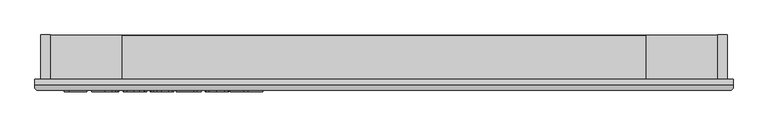
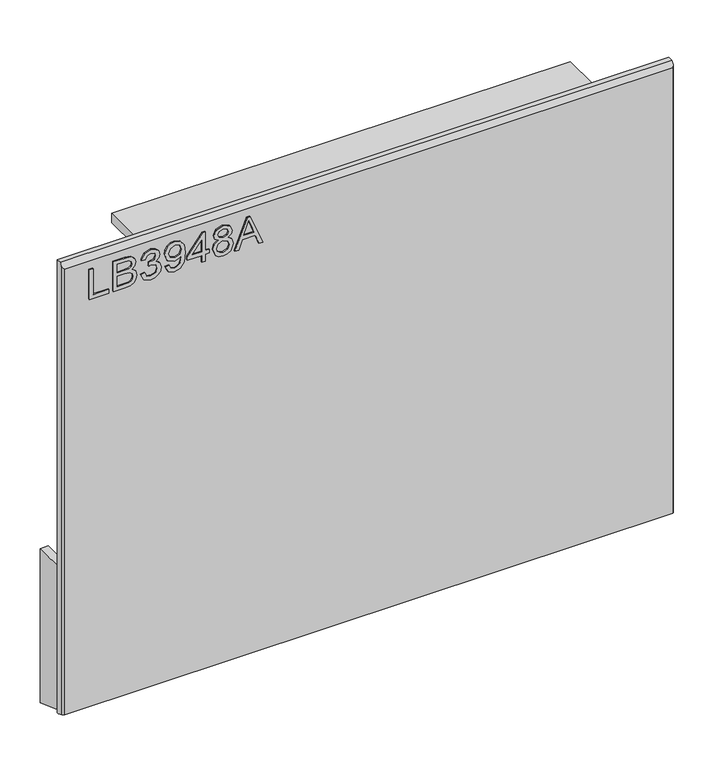
"""IFC4 building model written with IfcOpenShell, lengths in millimetres: furniture geometry."""

from ifc_helpers import new_model, si_unit, frame, origin, place, context, project, spatial, polyline, outline, extrude, faceted_brep, source, transform, mapped, element, save


def furniture_858d166a(model_context):
    return source(origin(), model_context, "Body", "SolidModel", [
        extrude(outline(polyline([(1017.3890625, -539.5738335), (1017.3890625, -500.4969105), (1025.2044471, -500.4969105), (1025.2044471, -531.7584489), (1079.9121394, -531.7584489), (1079.9121394, -539.5738335), (1017.3890625, -539.5738335)])), frame((0.0, -21.9273437, 0.0), z_axis=(0.0, 1.0, 0.0), x_axis=(0.0, 0.0, 1.0)), (0.0, 0.0, 1.0), 2.38125),
        extrude(outline(polyline([(1017.3890625, -491.7046028), (1017.3890625, -468.0294826), (1018.4652043, -458.0083888), (1021.6402043, -451.2080884), (1027.6238582, -446.6516581), (1036.0269231, -444.8122951), (1045.7503606, -447.5064658), (1051.5813702, -455.2073672), (1057.1147236, -448.8649994), (1064.41875, -446.7661412), (1072.4173077, -449.2618744), (1078.0727764, -456.1613936), (1079.9121394, -467.8463095), (1079.9121394, -491.7046028), (1017.3890625, -491.7046028)]), holes=[polyline([(1054.5121394, -483.8892182), (1072.0967548, -483.8892182), (1072.0967548, -470.7007566), (1071.2801082, -460.6567662), (1068.2653846, -456.1537614), (1063.1670673, -454.5815259), (1058.0763822, -456.2682446), (1055.183774, -461.2826076), (1054.5121394, -469.6169826), (1054.5121394, -483.8892182)]), polyline([(1025.2044471, -483.8892182), (1046.6967548, -483.8892182), (1046.6967548, -468.6247951), (1045.6511418, -458.9700475), (1042.0258413, -454.1235932), (1035.950601, -452.6276797), (1030.684375, -453.902259), (1027.2117188, -457.1535811), (1025.5097356, -462.0610932), (1025.2044471, -467.8615739), (1025.2044471, -483.8892182)])]), frame((0.0, -21.9273437, 0.0), z_axis=(0.0, 1.0, 0.0), x_axis=(0.0, 0.0, 1.0)), (0.0, 0.0, 1.0), 2.38125),
        extrude(outline(polyline([(1033.9967548, -436.9969105), (1021.3120192, -430.7842903), (1016.4121394, -417.0768384), (1017.8469952, -408.7233828), (1022.1515625, -401.9497951), (1028.5168269, -397.4620547), (1036.133774, -395.9661412), (1046.2998798, -398.9579682), (1051.6424279, -407.4755162), (1056.8170673, -401.0644585), (1064.021875, -398.8969105), (1071.9059495, -401.1789417), (1077.767488, -407.7731725), (1079.9121394, -417.1989537), (1075.5617788, -429.6241941), (1063.3044471, -436.0199874), (1062.327524, -428.2046028), (1069.6544471, -424.3732326), (1072.0967548, -416.9241941), (1069.6773438, -409.5667422), (1063.5639423, -406.7122951), (1056.6644231, -410.6505162), (1054.5121394, -420.7708287), (1046.6967548, -421.6409009), (1047.5515625, -416.160973), (1044.3536659, -407.2770787), (1036.2711538, -403.7815259), (1027.6925481, -407.3076076), (1024.227524, -416.8020787), (1026.7461538, -424.8693263), (1034.9736779, -429.1815259), (1033.9967548, -436.9969105)])), frame((0.0, -21.9273437, 0.0), z_axis=(0.0, 1.0, 0.0), x_axis=(0.0, 0.0, 1.0)), (0.0, 0.0, 1.0), 2.38125),
        extrude(outline(polyline([(1033.0198317, -388.1507566), (1020.7701322, -382.5487134), (1016.4121394, -370.5356124), (1020.1061298, -358.4690859), (1030.8599159, -350.7071268), (1049.841226, -348.0969105), (1067.3342548, -350.714759), (1076.6455529, -358.3774994), (1079.9121394, -369.512896), (1078.4810998, -377.23097), (1074.1879808, -383.5332686), (1067.5479567, -387.7290769), (1059.0762019, -389.1276797), (1044.4376202, -383.7927638), (1038.8813702, -370.7340499), (1041.1557692, -362.1630763), (1045.5519231, -355.8665018), (1036.4848558, -356.9960691), (1029.6921875, -359.55286), (1025.7158053, -363.8421629), (1024.227524, -370.1692662), (1026.5400841, -376.8245547), (1033.9967548, -380.335372), (1033.0198317, -388.1507566)]), holes=[polyline([(1059.259375, -355.9122951), (1050.0320313, -359.446009), (1046.6967548, -368.4596509), (1050.0320313, -377.847271), (1058.6945913, -381.3122951), (1068.3646034, -377.6488335), (1072.0967548, -368.2459489), (1068.6317308, -359.2857326), (1059.259375, -355.9122951)])]), frame((0.0, -21.9273437, 0.0), z_axis=(0.0, 1.0, 0.0), x_axis=(0.0, 0.0, 1.0)), (0.0, 0.0, 1.0), 2.38125),
        extrude(outline(polyline([(1017.3890625, -315.8584489), (1017.3890625, -308.0430643), (1032.0429087, -308.0430643), (1032.0429087, -300.2276797), (1039.8582933, -300.2276797), (1039.8582933, -308.0430643), (1078.9352163, -308.0430643), (1078.9352163, -313.9046028), (1039.8582933, -344.1892182), (1032.0429087, -344.1892182), (1032.0429087, -315.8584489), (1017.3890625, -315.8584489)]), holes=[polyline([(1039.8582933, -315.8584489), (1039.8582933, -334.5726316), (1064.0066106, -315.8584489), (1039.8582933, -315.8584489)])]), frame((0.0, -21.9273437, 0.0), z_axis=(0.0, 1.0, 0.0), x_axis=(0.0, 0.0, 1.0)), (0.0, 0.0, 1.0), 2.38125),
        extrude(outline(polyline([(1051.825601, -282.0019585), (1046.1472356, -290.4279201), (1035.7979567, -293.3892182), (1021.9607572, -287.7413816), (1017.7992939, -281.2005763), (1016.4121394, -272.8738335), (1017.7935697, -264.5470908), (1021.9378606, -258.0062855), (1035.5842548, -252.3584489), (1045.6969351, -255.2052638), (1051.825601, -263.5167422), (1056.6567909, -256.5943263), (1064.021875, -254.3122951), (1075.2870192, -259.4411412), (1079.9121394, -272.9806845), (1075.3938702, -286.3981124), (1064.2355769, -291.435372), (1056.6796875, -289.1228119), (1051.825601, -282.0019585)]), holes=[polyline([(1064.0066106, -283.6199874), (1069.7155048, -280.8037013), (1072.0967548, -272.8738335), (1069.6620793, -264.9668624), (1063.6555288, -262.1276797), (1057.8550481, -264.8752759), (1055.4890625, -272.782247), (1057.8703125, -280.8494946), (1064.0066106, -283.6199874)]), polyline([(1036.0727163, -285.5738335), (1044.3612981, -282.2690859), (1047.6736779, -273.072271), (1044.3155048, -263.6083287), (1035.8284856, -260.1738335), (1027.5017428, -263.5014778), (1024.227524, -272.8127759), (1025.7844952, -279.6512374), (1030.1882813, -284.2687254), (1036.0727163, -285.5738335)])]), frame((0.0, -21.9273437, 0.0), z_axis=(0.0, 1.0, 0.0), x_axis=(0.0, 0.0, 1.0)), (0.0, 0.0, 1.0), 2.38125),
        extrude(outline(polyline([(1017.3890625, -249.870348), (1017.3890625, -241.6122951), (1036.927524, -234.4685451), (1036.927524, -208.7174634), (1017.3890625, -201.5584489), (1017.3890625, -193.300396), (1079.9121394, -218.2577278), (1079.9121394, -224.9130162), (1017.3890625, -249.870348)]), holes=[polyline([(1044.7429087, -231.5988335), (1061.4574519, -225.4777999), (1072.0967548, -221.585372), (1060.1141827, -217.2044826), (1044.7429087, -211.5719105), (1044.7429087, -231.5988335)])]), frame((0.0, -21.9273437, 0.0), z_axis=(0.0, 1.0, 0.0), x_axis=(0.0, 0.0, 1.0)), (0.0, 0.0, 1.0), 2.38125),
        faceted_brep([(628.3377049, 0.0, 1106.3882812), (-590.8622951, 0.0, 1106.3882812), (-590.8622951, -10.0210937, 1106.3882812), (628.3377049, -10.0210938, 1106.3882812), (-590.8622951, 0.0, 151.0180812), (628.3377049, 0.0, 151.0180812), (628.3377049, -3.6710938, 151.0180812), (-590.8622951, -3.6710937, 151.0180812), (-590.8622951, -15.9900938, 155.9456812), (-590.8622951, -15.9900938, 1100.4192812), (625.1627049, -19.5460937, 1096.8632812), (-587.6872951, -19.5460937, 1096.8632812), (-587.6872951, -19.5460937, 157.3680812), (625.1627049, -19.5460937, 157.3680812), (628.3377049, -15.9900937, 1100.4192812), (628.3377049, -15.9900937, 155.9456812)], [[[0, 1, 2, 3]], [[4, 5, 6, 7]], [[1, 4, 7, 8, 9, 2]], [[10, 11, 12, 13]], [[5, 0, 3, 14, 15, 6]], [[1, 0, 5, 4]], [[3, 2, 9, 11, 10, 14]], [[7, 6, 15, 13, 12, 8]], [[9, 8, 12, 11]], [[10, 13, 15, 14]]]),
        faceted_brep([(-438.4622951, 75.6775384, 1085.3420645), (-438.4622951, 0.0, 1085.3420645), (-438.4622951, 0.0, 1104.490847), (-438.4622951, 75.6775384, 1104.490847), (475.9377049, 75.6775384, 1085.3420645), (475.9377049, 75.6775384, 1104.490847), (475.9377049, 0.0, 1104.490847), (475.9377049, 0.0, 1085.3420645)], [[[0, 1, 2, 3]], [[4, 5, 6, 7]], [[1, 0, 4, 7]], [[2, 1, 7, 6]], [[3, 2, 6, 5]], [[0, 3, 5, 4]]]),
        faceted_brep([(-580.2308991, 0.0, 149.4791075), (-580.2308991, 0.0, 446.2610824), (-580.2308991, 77.3737103, 446.2610824), (-580.2308991, 77.3737103, 121.3174356), (-563.9748987, 77.3737103, 446.2610824), (-563.9748987, 0.0, 446.2610824), (-563.9748987, 0.0, 170.757223), (-563.9748987, 77.3737103, 170.757223), (601.4503086, 77.3737103, 170.757223), (601.4503086, 77.3737103, 446.2610824), (617.706309, 77.3737103, 446.2610824), (617.706309, 77.3737103, 121.3174356), (617.706309, 0.0, 149.4791075), (617.706309, 0.0, 446.2610824), (601.4503086, 0.0, 446.2610824), (601.4503086, 0.0, 170.757223)], [[[0, 1, 2, 3]], [[4, 5, 6, 7]], [[2, 1, 5, 4]], [[2, 4, 7, 8, 9, 10, 11, 3]], [[0, 3, 11, 12]], [[5, 1, 0, 12, 13, 14, 15, 6]], [[14, 9, 8, 15]], [[10, 13, 12, 11]], [[9, 14, 13, 10]], [[6, 15, 8, 7]]]),
    ])


if __name__ == "__main__":
    model = new_model("IFC4")
    model_context = context("Model", 3, world=origin())
    ifc_project = project(units=[si_unit("LENGTHUNIT", "METRE", prefix="MILLI")], contexts=[model_context])
    site = spatial("IfcSite", under=ifc_project)
    building = spatial("IfcBuilding", under=site)
    placement = place(None, origin())
    furniture_shape = furniture_858d166a(model_context)
    element("IfcFurniture", 1, at=placement, inside=building, context=model_context, shape_type="MappedRepresentation", body=[
        mapped(furniture_shape, transform((0.0, 0.0, 0.0), x_axis=(1.0, 0.0, 0.0), y_axis=(0.0, 1.0, 0.0), z_axis=(0.0, 0.0, 1.0))),
    ])
    save(model, "model.ifc")
